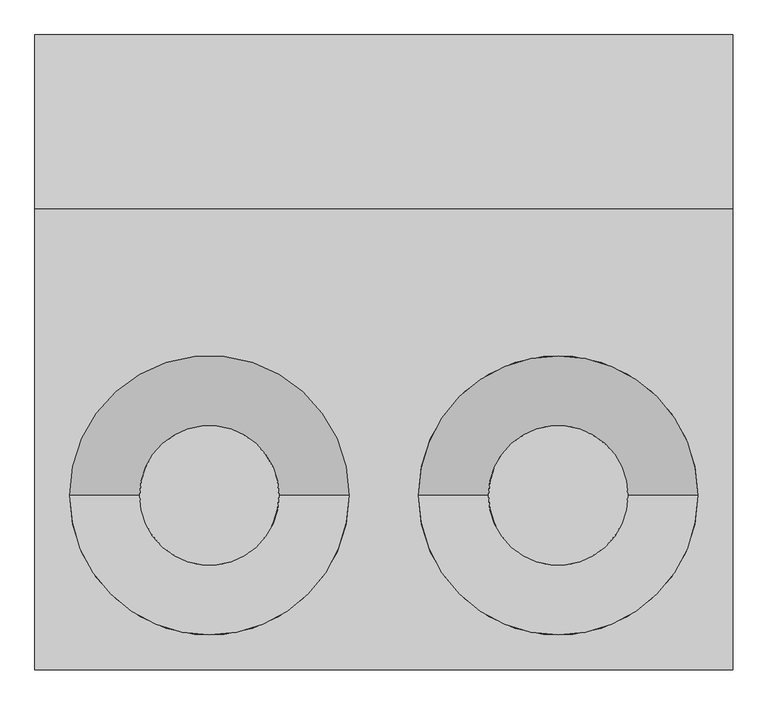
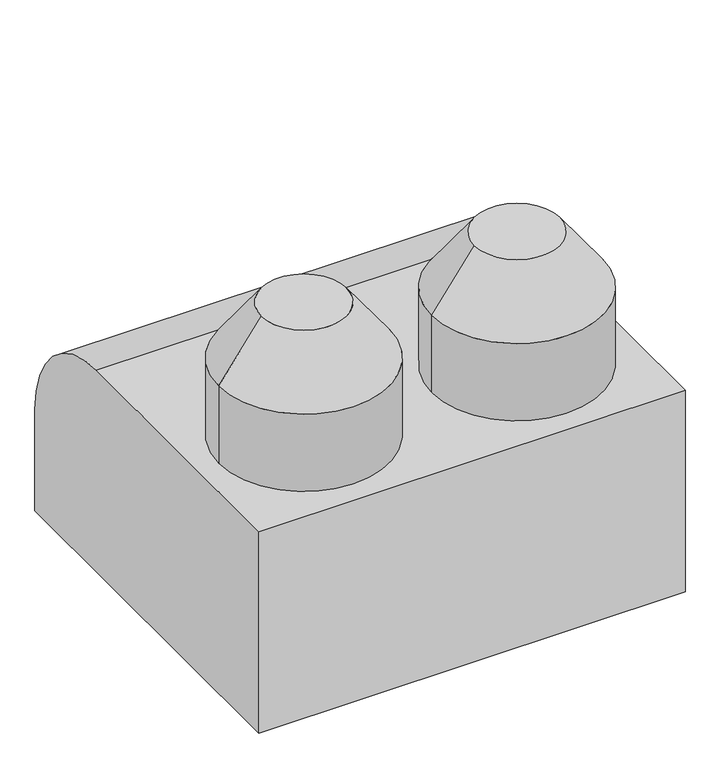
"""IFC4 building model written with IfcOpenShell, lengths in millimetres: proxy geometry."""

from ifc_helpers import new_model, si_unit, point, frame, frame_2d, origin, place, context, project, spatial, polyline, circle_curve, trimmed, segment, composite_curve, outline, extrude, source, transform, mapped, element, save
from ifc_brep_helpers import plane_surface, revolved_surface, advanced_brep


def generic_models_5da50f1c(model_context):
    return source(origin(), model_context, "Body", "SolidModel", [
        extrude(outline(composite_curve([segment(trimmed(circle_curve(frame_2d((-33680.0, 500.0)), 500.0), [point((-33680.0, 1000.0))], [point((-33180.0, 500.0))], False, "CARTESIAN"), True, "CONTINUOUS"), segment(polyline([(-33180.0, 500.0), (-33180.0, 0.0), (-35000.0, 0.0), (-35000.0, 1000.0), (-33680.0, 1000.0)]), True, "CONTINUOUS")], self_intersect=False)), frame((0.0, 0.0, 0.0), z_axis=(1.0, 0.0, 0.0), x_axis=(0.0, 1.0, 0.0)), (0.0, 0.0, 1.0), 2000.0),
        advanced_brep(
        [(1300.0, -34500.0, 1659.8528433), (1700.0, -34500.0, 1659.8528433), (1100.0, -34500.0, 1384.3907734), (1900.0, -34500.0, 1384.3907734)],
        [
            (0, 1, circle_curve(frame((1500.0, -34500.0, 1659.8528433), z_axis=(0.0, 0.0, 1.0), x_axis=(-1.0, 0.0, 0.0)), 200.0)),
            (1, 0, circle_curve(frame((1500.0, -34500.0, 1659.8528433), z_axis=(0.0, 0.0, 1.0), x_axis=(1.0, 0.0, 0.0)), 200.0)),
            (2, 3, circle_curve(frame((1500.0, -34500.0, 1384.3907734), z_axis=(0.0, 0.0, -1.0), x_axis=(1.0, 0.0, 0.0)), 400.0)),
            (3, 2, circle_curve(frame((1500.0, -34500.0, 1384.3907734), z_axis=(0.0, 0.0, -1.0), x_axis=(-1.0, 0.0, 0.0)), 400.0)),
            (3, 1),
            (0, 2),
        ],
        [
            plane_surface(frame((1500.0, -34500.0, 1659.8528433), z_axis=(0.0, 0.0, 1.0), x_axis=(0.0, -1.0, 0.0))),
            plane_surface(frame((1500.0, -34500.0, 1384.3907734), z_axis=(0.0, 0.0, -1.0), x_axis=(0.0, -1.0, 0.0))),
            revolved_surface(polyline([(1300.0000000363025, -34500.0, 1659.8528433), (1100.0, -34500.0, 1384.3907734)]), (1500.0, -34500.0, 1935.3149131), (0.0, 0.0, -1.0)),
            revolved_surface(polyline([(1699.9999999636975, -34500.0, 1659.8528433), (1900.0, -34500.0, 1384.3907734)]), (1500.0, -34500.0, 1935.3149131), (0.0, 0.0, -1.0)),
        ],
        [
            (0, [[1, 2]]),
            (1, [[3, 4]]),
            (2, [[-4, 5, -1, 6]]),
            (3, [[-3, -6, -2, -5]]),
        ],
    ),
        extrude(outline(composite_curve([segment(trimmed(circle_curve(frame_2d((1500.0, -34500.0)), 400.0), [point((1100.0, -34500.0))], [point((1900.0, -34500.0))], False, "CARTESIAN"), True, "CONTINUOUS"), segment(trimmed(circle_curve(frame_2d((1500.0, -34500.0)), 400.0), [point((1900.0, -34500.0))], [point((1100.0, -34500.0))], False, "CARTESIAN"), True, "CONTINUOUS")], self_intersect=False)), frame((0.0, 0.0, 1000.0), z_axis=(0.0, 0.0, 1.0), x_axis=(1.0, 0.0, 0.0)), (0.0, 0.0, 1.0), 384.3907734),
        advanced_brep(
        [(300.0, -34500.0, 1659.8528433), (700.0, -34500.0, 1659.8528433), (100.0, -34500.0, 1384.3907734), (900.0, -34500.0, 1384.3907734)],
        [
            (0, 1, circle_curve(frame((500.0, -34500.0, 1659.8528433), z_axis=(0.0, 0.0, 1.0), x_axis=(-1.0, 0.0, 0.0)), 200.0)),
            (1, 0, circle_curve(frame((500.0, -34500.0, 1659.8528433), z_axis=(0.0, 0.0, 1.0), x_axis=(1.0, 0.0, 0.0)), 200.0)),
            (2, 3, circle_curve(frame((500.0, -34500.0, 1384.3907734), z_axis=(0.0, 0.0, -1.0), x_axis=(1.0, 0.0, 0.0)), 400.0)),
            (3, 2, circle_curve(frame((500.0, -34500.0, 1384.3907734), z_axis=(0.0, 0.0, -1.0), x_axis=(-1.0, 0.0, 0.0)), 400.0)),
            (3, 1),
            (0, 2),
        ],
        [
            plane_surface(frame((500.0, -34500.0, 1659.8528433), z_axis=(0.0, 0.0, 1.0), x_axis=(0.0, -1.0, 0.0))),
            plane_surface(frame((500.0, -34500.0, 1384.3907734), z_axis=(0.0, 0.0, -1.0), x_axis=(0.0, -1.0, 0.0))),
            revolved_surface(polyline([(300.0000000363026, -34500.0, 1659.8528433), (100.0, -34500.0, 1384.3907734)]), (500.0, -34500.0, 1935.3149131), (0.0, 0.0, -1.0)),
            revolved_surface(polyline([(699.9999999636974, -34500.0, 1659.8528433), (900.0, -34500.0, 1384.3907734)]), (500.0, -34500.0, 1935.3149131), (0.0, 0.0, -1.0)),
        ],
        [
            (0, [[1, 2]]),
            (1, [[3, 4]]),
            (2, [[-4, 5, -1, 6]]),
            (3, [[-3, -6, -2, -5]]),
        ],
    ),
        extrude(outline(composite_curve([segment(trimmed(circle_curve(frame_2d((500.0, -34500.0)), 400.0), [point((100.0, -34500.0))], [point((900.0, -34500.0))], False, "CARTESIAN"), True, "CONTINUOUS"), segment(trimmed(circle_curve(frame_2d((500.0, -34500.0)), 400.0), [point((900.0, -34500.0))], [point((100.0, -34500.0))], False, "CARTESIAN"), True, "CONTINUOUS")], self_intersect=False)), frame((0.0, 0.0, 1000.0), z_axis=(0.0, 0.0, 1.0), x_axis=(1.0, 0.0, 0.0)), (0.0, 0.0, 1.0), 384.3907734),
    ])


if __name__ == "__main__":
    model = new_model("IFC4")
    model_context = context("Model", 3, world=origin())
    ifc_project = project(units=[si_unit("LENGTHUNIT", "METRE", prefix="MILLI")], contexts=[model_context])
    site = spatial("IfcSite", under=ifc_project)
    building = spatial("IfcBuilding", under=site)
    placement = place(None, origin())
    generic_models_shape = generic_models_5da50f1c(model_context)
    element("IfcBuildingElementProxy", 1, Name="Generic Models", at=placement, inside=building, context=model_context, shape_type="MappedRepresentation", body=[
        mapped(generic_models_shape, transform((0.0, 0.0, 0.0), x_axis=(1.0, 0.0, 0.0), y_axis=(0.0, 1.0, 0.0), z_axis=(0.0, 0.0, 1.0))),
    ])
    save(model, "model.ifc")
